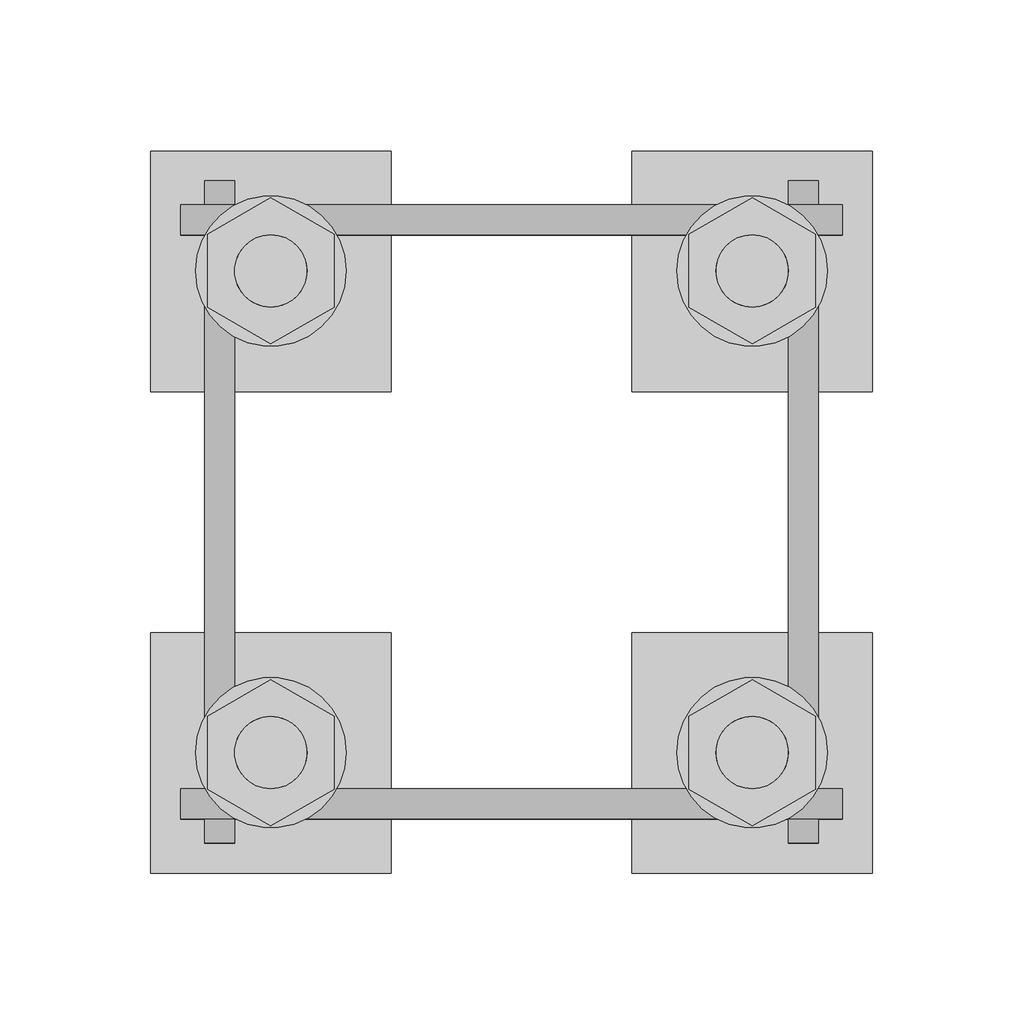
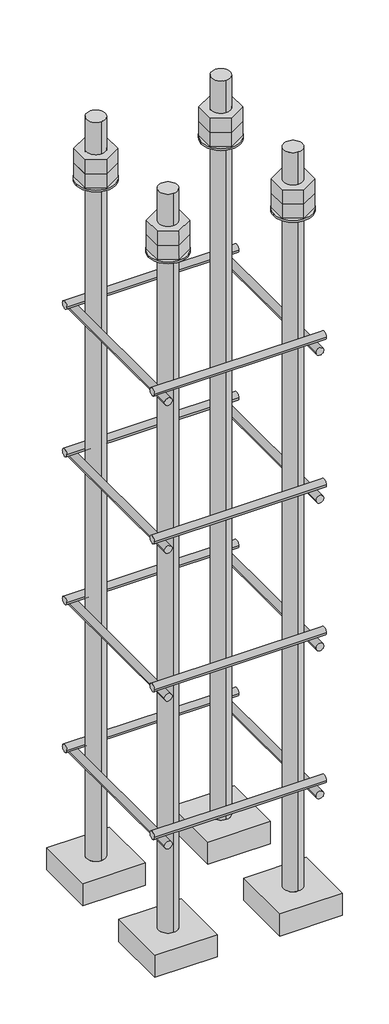
# One storey, part 27 of 66: 1 fastener.
"""IFC4 building model written with IfcOpenShell, lengths in millimetres."""

from ifc_helpers import new_model, si_unit, point, frame, frame_2d, origin, place, context, project, spatial, polyline, circle_curve, trimmed, segment, composite_curve, outline, extrude, element, save
from ifc_brep_helpers import plane_surface, cylinder_surface, advanced_brep

model = new_model("IFC4")

# Units and contexts
model_context = context("Model", 3, world=origin())
ifc_project = project(units=[si_unit("LENGTHUNIT", "METRE", prefix="MILLI")], contexts=[model_context])

# Site, building, storey
site = spatial("IfcSite", under=ifc_project)
building = spatial("IfcBuilding", under=site)
storey = spatial("IfcBuildingStorey", under=building, Elevation=9070.0)

# Fastener
placement = place(None, origin())
element("IfcFastener", 1, ObjectType="AU1 : AU-01", at=placement, inside=storey, context=model_context, shape_type="SolidModel", body=[
    extrude(outline(composite_curve([segment(trimmed(circle_curve(frame_2d((20703.0, 8795.0)), 5.0), [point((20698.0, 8795.0))], [point((20708.0, 8795.0))], False, "CARTESIAN"), True, "CONTINUOUS"), segment(trimmed(circle_curve(frame_2d((20703.0, 8795.0)), 5.0), [point((20708.0, 8795.0))], [point((20698.0, 8795.0))], False, "CARTESIAN"), True, "CONTINUOUS")], self_intersect=False)), frame((38740.0, 0.0, 0.0), z_axis=(1.0, 0.0, 0.0), x_axis=(0.0, 1.0, 0.0)), (0.0, 0.0, 1.0), 220.0),
    extrude(outline(composite_curve([segment(trimmed(circle_curve(frame_2d((20897.0, 8795.0)), 5.0), [point((20902.0, 8795.0))], [point((20892.0, 8795.0))], False, "CARTESIAN"), True, "CONTINUOUS"), segment(trimmed(circle_curve(frame_2d((20897.0, 8795.0)), 5.0), [point((20892.0, 8795.0))], [point((20902.0, 8795.0))], False, "CARTESIAN"), True, "CONTINUOUS")], self_intersect=False)), frame((38740.0, 0.0, 0.0), z_axis=(1.0, 0.0, 0.0), x_axis=(0.0, 1.0, 0.0)), (0.0, 0.0, 1.0), 220.0),
    extrude(outline(composite_curve([segment(trimmed(circle_curve(frame_2d((8785.0, 38753.0)), 5.0), [point((8785.0, 38748.0))], [point((8785.0, 38758.0))], False, "CARTESIAN"), True, "CONTINUOUS"), segment(trimmed(circle_curve(frame_2d((8785.0, 38753.0)), 5.0), [point((8785.0, 38758.0))], [point((8785.0, 38748.0))], False, "CARTESIAN"), True, "CONTINUOUS")], self_intersect=False)), frame((0.0, 20690.0, 0.0), z_axis=(0.0, 1.0, 0.0), x_axis=(0.0, 0.0, 1.0)), (0.0, 0.0, 1.0), 220.0),
    extrude(outline(composite_curve([segment(trimmed(circle_curve(frame_2d((8785.0, 38947.0)), 5.0), [point((8785.0, 38952.0))], [point((8785.0, 38942.0))], False, "CARTESIAN"), True, "CONTINUOUS"), segment(trimmed(circle_curve(frame_2d((8785.0, 38947.0)), 5.0), [point((8785.0, 38942.0))], [point((8785.0, 38952.0))], False, "CARTESIAN"), True, "CONTINUOUS")], self_intersect=False)), frame((0.0, 20690.0, 0.0), z_axis=(0.0, 1.0, 0.0), x_axis=(0.0, 0.0, 1.0)), (0.0, 0.0, 1.0), 220.0),
    extrude(outline(composite_curve([segment(trimmed(circle_curve(frame_2d((20703.0, 8995.0)), 5.0), [point((20698.0, 8995.0))], [point((20708.0, 8995.0))], False, "CARTESIAN"), True, "CONTINUOUS"), segment(trimmed(circle_curve(frame_2d((20703.0, 8995.0)), 5.0), [point((20708.0, 8995.0))], [point((20698.0, 8995.0))], False, "CARTESIAN"), True, "CONTINUOUS")], self_intersect=False)), frame((38740.0, 0.0, 0.0), z_axis=(1.0, 0.0, 0.0), x_axis=(0.0, 1.0, 0.0)), (0.0, 0.0, 1.0), 220.0),
    extrude(outline(composite_curve([segment(trimmed(circle_curve(frame_2d((20897.0, 8995.0)), 5.0), [point((20902.0, 8995.0))], [point((20892.0, 8995.0))], False, "CARTESIAN"), True, "CONTINUOUS"), segment(trimmed(circle_curve(frame_2d((20897.0, 8995.0)), 5.0), [point((20892.0, 8995.0))], [point((20902.0, 8995.0))], False, "CARTESIAN"), True, "CONTINUOUS")], self_intersect=False)), frame((38740.0, 0.0, 0.0), z_axis=(1.0, 0.0, 0.0), x_axis=(0.0, 1.0, 0.0)), (0.0, 0.0, 1.0), 220.0),
    extrude(outline(composite_curve([segment(trimmed(circle_curve(frame_2d((8985.0, 38753.0)), 5.0), [point((8985.0, 38748.0))], [point((8985.0, 38758.0))], False, "CARTESIAN"), True, "CONTINUOUS"), segment(trimmed(circle_curve(frame_2d((8985.0, 38753.0)), 5.0), [point((8985.0, 38758.0))], [point((8985.0, 38748.0))], False, "CARTESIAN"), True, "CONTINUOUS")], self_intersect=False)), frame((0.0, 20690.0, 0.0), z_axis=(0.0, 1.0, 0.0), x_axis=(0.0, 0.0, 1.0)), (0.0, 0.0, 1.0), 220.0),
    extrude(outline(composite_curve([segment(trimmed(circle_curve(frame_2d((8985.0, 38947.0)), 5.0), [point((8985.0, 38952.0))], [point((8985.0, 38942.0))], False, "CARTESIAN"), True, "CONTINUOUS"), segment(trimmed(circle_curve(frame_2d((8985.0, 38947.0)), 5.0), [point((8985.0, 38942.0))], [point((8985.0, 38952.0))], False, "CARTESIAN"), True, "CONTINUOUS")], self_intersect=False)), frame((0.0, 20690.0, 0.0), z_axis=(0.0, 1.0, 0.0), x_axis=(0.0, 0.0, 1.0)), (0.0, 0.0, 1.0), 220.0),
    extrude(outline(composite_curve([segment(trimmed(circle_curve(frame_2d((20703.0, 9195.0)), 5.0), [point((20698.0, 9195.0))], [point((20708.0, 9195.0))], False, "CARTESIAN"), True, "CONTINUOUS"), segment(trimmed(circle_curve(frame_2d((20703.0, 9195.0)), 5.0), [point((20708.0, 9195.0))], [point((20698.0, 9195.0))], False, "CARTESIAN"), True, "CONTINUOUS")], self_intersect=False)), frame((38740.0, 0.0, 0.0), z_axis=(1.0, 0.0, 0.0), x_axis=(0.0, 1.0, 0.0)), (0.0, 0.0, 1.0), 220.0),
    extrude(outline(composite_curve([segment(trimmed(circle_curve(frame_2d((20897.0, 9195.0)), 5.0), [point((20902.0, 9195.0))], [point((20892.0, 9195.0))], False, "CARTESIAN"), True, "CONTINUOUS"), segment(trimmed(circle_curve(frame_2d((20897.0, 9195.0)), 5.0), [point((20892.0, 9195.0))], [point((20902.0, 9195.0))], False, "CARTESIAN"), True, "CONTINUOUS")], self_intersect=False)), frame((38740.0, 0.0, 0.0), z_axis=(1.0, 0.0, 0.0), x_axis=(0.0, 1.0, 0.0)), (0.0, 0.0, 1.0), 220.0),
    extrude(outline(composite_curve([segment(trimmed(circle_curve(frame_2d((9185.0, 38753.0)), 5.0), [point((9185.0, 38748.0))], [point((9185.0, 38758.0))], False, "CARTESIAN"), True, "CONTINUOUS"), segment(trimmed(circle_curve(frame_2d((9185.0, 38753.0)), 5.0), [point((9185.0, 38758.0))], [point((9185.0, 38748.0))], False, "CARTESIAN"), True, "CONTINUOUS")], self_intersect=False)), frame((0.0, 20690.0, 0.0), z_axis=(0.0, 1.0, 0.0), x_axis=(0.0, 0.0, 1.0)), (0.0, 0.0, 1.0), 220.0),
    extrude(outline(composite_curve([segment(trimmed(circle_curve(frame_2d((9185.0, 38947.0)), 5.0), [point((9185.0, 38952.0))], [point((9185.0, 38942.0))], False, "CARTESIAN"), True, "CONTINUOUS"), segment(trimmed(circle_curve(frame_2d((9185.0, 38947.0)), 5.0), [point((9185.0, 38942.0))], [point((9185.0, 38952.0))], False, "CARTESIAN"), True, "CONTINUOUS")], self_intersect=False)), frame((0.0, 20690.0, 0.0), z_axis=(0.0, 1.0, 0.0), x_axis=(0.0, 0.0, 1.0)), (0.0, 0.0, 1.0), 220.0),
    extrude(outline(composite_curve([segment(trimmed(circle_curve(frame_2d((20703.0, 9395.0)), 5.0), [point((20698.0, 9395.0))], [point((20708.0, 9395.0))], False, "CARTESIAN"), True, "CONTINUOUS"), segment(trimmed(circle_curve(frame_2d((20703.0, 9395.0)), 5.0), [point((20708.0, 9395.0))], [point((20698.0, 9395.0))], False, "CARTESIAN"), True, "CONTINUOUS")], self_intersect=False)), frame((38740.0, 0.0, 0.0), z_axis=(1.0, 0.0, 0.0), x_axis=(0.0, 1.0, 0.0)), (0.0, 0.0, 1.0), 220.0),
    extrude(outline(composite_curve([segment(trimmed(circle_curve(frame_2d((20897.0, 9395.0)), 5.0), [point((20902.0, 9395.0))], [point((20892.0, 9395.0))], False, "CARTESIAN"), True, "CONTINUOUS"), segment(trimmed(circle_curve(frame_2d((20897.0, 9395.0)), 5.0), [point((20892.0, 9395.0))], [point((20902.0, 9395.0))], False, "CARTESIAN"), True, "CONTINUOUS")], self_intersect=False)), frame((38740.0, 0.0, 0.0), z_axis=(1.0, 0.0, 0.0), x_axis=(0.0, 1.0, 0.0)), (0.0, 0.0, 1.0), 220.0),
    extrude(outline(composite_curve([segment(trimmed(circle_curve(frame_2d((9385.0, 38753.0)), 5.0), [point((9385.0, 38748.0))], [point((9385.0, 38758.0))], False, "CARTESIAN"), True, "CONTINUOUS"), segment(trimmed(circle_curve(frame_2d((9385.0, 38753.0)), 5.0), [point((9385.0, 38758.0))], [point((9385.0, 38748.0))], False, "CARTESIAN"), True, "CONTINUOUS")], self_intersect=False)), frame((0.0, 20690.0, 0.0), z_axis=(0.0, 1.0, 0.0), x_axis=(0.0, 0.0, 1.0)), (0.0, 0.0, 1.0), 220.0),
    extrude(outline(composite_curve([segment(trimmed(circle_curve(frame_2d((9385.0, 38947.0)), 5.0), [point((9385.0, 38952.0))], [point((9385.0, 38942.0))], False, "CARTESIAN"), True, "CONTINUOUS"), segment(trimmed(circle_curve(frame_2d((9385.0, 38947.0)), 5.0), [point((9385.0, 38942.0))], [point((9385.0, 38952.0))], False, "CARTESIAN"), True, "CONTINUOUS")], self_intersect=False)), frame((0.0, 20690.0, 0.0), z_axis=(0.0, 1.0, 0.0), x_axis=(0.0, 0.0, 1.0)), (0.0, 0.0, 1.0), 220.0),
    advanced_brep(
    [(38810.0, 20920.0, 8650.0), (38730.0, 20920.0, 8650.0), (38730.0, 20840.0, 8650.0), (38810.0, 20840.0, 8650.0), (38770.0, 20868.0, 8650.0), (38770.0, 20892.0, 8650.0), (38810.0, 20920.0, 8620.0), (38810.0, 20840.0, 8620.0), (38730.0, 20840.0, 8620.0), (38730.0, 20920.0, 8620.0), (38770.0, 20892.0, 9650.0), (38770.0, 20868.0, 9650.0)],
    [
        (0, 1),
        (1, 2),
        (2, 3),
        (3, 0),
        (4, 5, circle_curve(frame((38770.0, 20880.0, 8650.0), z_axis=(0.0, 0.0, -1.0), x_axis=(0.0, -1.0, 0.0)), 12.0)),
        (5, 4, circle_curve(frame((38770.0, 20880.0, 8650.0), z_axis=(0.0, 0.0, -1.0), x_axis=(0.0, -1.0, 0.0)), 12.0)),
        (6, 7),
        (7, 8),
        (8, 9),
        (9, 6),
        (0, 6),
        (9, 1),
        (8, 2),
        (7, 3),
        (10, 11, circle_curve(frame((38770.0, 20880.0, 9650.0), z_axis=(0.0, 0.0, 1.0), x_axis=(0.0, -1.0, 0.0)), 12.0)),
        (11, 10, circle_curve(frame((38770.0, 20880.0, 9650.0), z_axis=(0.0, 0.0, 1.0), x_axis=(0.0, -1.0, 0.0)), 12.0)),
        (10, 5),
        (4, 11),
    ],
    [
        plane_surface(frame((38730.0, 20920.0, 8650.0), z_axis=(0.0, 0.0, 1.0), x_axis=(-1.0, 0.0, 0.0))),
        plane_surface(frame((38730.0, 20920.0, 8620.0), z_axis=(0.0, 0.0, -1.0), x_axis=(1.0, 0.0, 0.0))),
        plane_surface(frame((38810.0, 20920.0, 8650.0), z_axis=(0.0, 1.0, 0.0), x_axis=(0.0, 0.0, -1.0))),
        plane_surface(frame((38730.0, 20920.0, 8650.0), z_axis=(-1.0, 0.0, 0.0), x_axis=(0.0, 0.0, -1.0))),
        plane_surface(frame((38730.0, 20840.0, 8650.0), z_axis=(0.0, -1.0, 0.0), x_axis=(0.0, 0.0, -1.0))),
        plane_surface(frame((38810.0, 20840.0, 8650.0), z_axis=(1.0, 0.0, 0.0), x_axis=(0.0, 0.0, -1.0))),
        plane_surface(frame((38770.0, 20880.0, 9650.0), z_axis=(0.0, 0.0, 1.0), x_axis=(0.0, -1.0, 0.0))),
        cylinder_surface(frame((38770.0, 20880.0, 9650.0), z_axis=(0.0, 0.0, 1.0), x_axis=(0.0, -1.0, 0.0)), 12.0),
    ],
    [
        (0, [[1, 2, 3, 4], [5, 6]]),
        (1, [[7, 8, 9, 10]]),
        (2, [[-1, 11, -10, 12]]),
        (3, [[-2, -12, -9, 13]]),
        (4, [[-3, -13, -8, 14]]),
        (5, [[-4, -14, -7, -11]]),
        (6, [[15, 16]]),
        (7, [[-15, 17, -5, 18]]),
        (7, [[-16, -18, -6, -17]]),
    ],
),
    extrude(outline(composite_curve([segment(trimmed(circle_curve(frame_2d((38770.0, 20880.0)), 25.0), [point((38795.0, 20880.0))], [point((38745.0, 20880.0))], False, "CARTESIAN"), True, "CONTINUOUS"), segment(trimmed(circle_curve(frame_2d((38770.0, 20880.0)), 25.0), [point((38745.0, 20880.0))], [point((38795.0, 20880.0))], False, "CARTESIAN"), True, "CONTINUOUS")], self_intersect=False), holes=[composite_curve([segment(trimmed(circle_curve(frame_2d((38770.0, 20880.0)), 12.0), [point((38782.0, 20880.0))], [point((38758.0, 20880.0))], True, "CARTESIAN"), True, "CONTINUOUS"), segment(trimmed(circle_curve(frame_2d((38770.0, 20880.0)), 12.0), [point((38758.0, 20880.0))], [point((38782.0, 20880.0))], True, "CARTESIAN"), True, "CONTINUOUS")], self_intersect=False)]), frame((0.0, 0.0, 9565.0), z_axis=(0.0, 0.0, 1.0), x_axis=(1.0, 0.0, 0.0)), (0.0, 0.0, 1.0), 2.5),
    extrude(outline(polyline([(38770.0, 20904.2487113), (38791.0, 20892.1243557), (38791.0, 20867.8756443), (38770.0, 20855.7512887), (38749.0, 20867.8756443), (38749.0, 20892.1243557), (38770.0, 20904.2487113)]), holes=[composite_curve([segment(trimmed(circle_curve(frame_2d((38770.0, 20880.0)), 12.0), [point((38782.0, 20880.0))], [point((38758.0, 20880.0))], True, "CARTESIAN"), True, "CONTINUOUS"), segment(trimmed(circle_curve(frame_2d((38770.0, 20880.0)), 12.0), [point((38758.0, 20880.0))], [point((38782.0, 20880.0))], True, "CARTESIAN"), True, "CONTINUOUS")], self_intersect=False)]), frame((0.0, 0.0, 9587.0), z_axis=(0.0, 0.0, 1.0), x_axis=(1.0, 0.0, 0.0)), (0.0, 0.0, 1.0), 19.5),
    extrude(outline(polyline([(38770.0, 20904.2487113), (38791.0, 20892.1243557), (38791.0, 20867.8756443), (38770.0, 20855.7512887), (38749.0, 20867.8756443), (38749.0, 20892.1243557), (38770.0, 20904.2487113)]), holes=[composite_curve([segment(trimmed(circle_curve(frame_2d((38770.0, 20880.0)), 12.0), [point((38782.0, 20880.0))], [point((38758.0, 20880.0))], True, "CARTESIAN"), True, "CONTINUOUS"), segment(trimmed(circle_curve(frame_2d((38770.0, 20880.0)), 12.0), [point((38758.0, 20880.0))], [point((38782.0, 20880.0))], True, "CARTESIAN"), True, "CONTINUOUS")], self_intersect=False)]), frame((0.0, 0.0, 9567.5), z_axis=(0.0, 0.0, 1.0), x_axis=(1.0, 0.0, 0.0)), (0.0, 0.0, 1.0), 19.5),
    advanced_brep(
    [(38890.0, 20840.0, 8650.0), (38970.0, 20840.0, 8650.0), (38970.0, 20920.0, 8650.0), (38890.0, 20920.0, 8650.0), (38930.0, 20892.0, 8650.0), (38930.0, 20868.0, 8650.0), (38890.0, 20840.0, 8620.0), (38890.0, 20920.0, 8620.0), (38970.0, 20920.0, 8620.0), (38970.0, 20840.0, 8620.0), (38930.0, 20868.0, 9650.0), (38930.0, 20892.0, 9650.0)],
    [
        (0, 1),
        (1, 2),
        (2, 3),
        (3, 0),
        (4, 5, circle_curve(frame((38930.0, 20880.0, 8650.0), z_axis=(0.0, 0.0, -1.0), x_axis=(0.0, 1.0, 0.0)), 12.0)),
        (5, 4, circle_curve(frame((38930.0, 20880.0, 8650.0), z_axis=(0.0, 0.0, -1.0), x_axis=(0.0, 1.0, 0.0)), 12.0)),
        (6, 7),
        (7, 8),
        (8, 9),
        (9, 6),
        (0, 6),
        (9, 1),
        (8, 2),
        (7, 3),
        (10, 11, circle_curve(frame((38930.0, 20880.0, 9650.0), z_axis=(0.0, 0.0, 1.0), x_axis=(0.0, 1.0, 0.0)), 12.0)),
        (11, 10, circle_curve(frame((38930.0, 20880.0, 9650.0), z_axis=(0.0, 0.0, 1.0), x_axis=(0.0, 1.0, 0.0)), 12.0)),
        (10, 5),
        (4, 11),
    ],
    [
        plane_surface(frame((38970.0, 20840.0, 8650.0), z_axis=(0.0, 0.0, 1.0), x_axis=(1.0, 0.0, 0.0))),
        plane_surface(frame((38970.0, 20840.0, 8620.0), z_axis=(0.0, 0.0, -1.0), x_axis=(-1.0, 0.0, 0.0))),
        plane_surface(frame((38890.0, 20840.0, 8650.0), z_axis=(0.0, -1.0, 0.0), x_axis=(0.0, 0.0, -1.0))),
        plane_surface(frame((38970.0, 20840.0, 8650.0), z_axis=(1.0, 0.0, 0.0), x_axis=(0.0, 0.0, -1.0))),
        plane_surface(frame((38970.0, 20920.0, 8650.0), z_axis=(0.0, 1.0, 0.0), x_axis=(0.0, 0.0, -1.0))),
        plane_surface(frame((38890.0, 20920.0, 8650.0), z_axis=(-1.0, 0.0, 0.0), x_axis=(0.0, 0.0, -1.0))),
        plane_surface(frame((38930.0, 20880.0, 9650.0), z_axis=(0.0, 0.0, 1.0), x_axis=(0.0, 1.0, 0.0))),
        cylinder_surface(frame((38930.0, 20880.0, 9650.0), z_axis=(0.0, 0.0, 1.0), x_axis=(0.0, 1.0, 0.0)), 12.0),
    ],
    [
        (0, [[1, 2, 3, 4], [5, 6]]),
        (1, [[7, 8, 9, 10]]),
        (2, [[-1, 11, -10, 12]]),
        (3, [[-2, -12, -9, 13]]),
        (4, [[-3, -13, -8, 14]]),
        (5, [[-4, -14, -7, -11]]),
        (6, [[15, 16]]),
        (7, [[-15, 17, -5, 18]]),
        (7, [[-16, -18, -6, -17]]),
    ],
),
    extrude(outline(composite_curve([segment(trimmed(circle_curve(frame_2d((38930.0, 20880.0)), 25.0), [point((38905.0, 20880.0))], [point((38955.0, 20880.0))], False, "CARTESIAN"), True, "CONTINUOUS"), segment(trimmed(circle_curve(frame_2d((38930.0, 20880.0)), 25.0), [point((38955.0, 20880.0))], [point((38905.0, 20880.0))], False, "CARTESIAN"), True, "CONTINUOUS")], self_intersect=False), holes=[composite_curve([segment(trimmed(circle_curve(frame_2d((38930.0, 20880.0)), 12.0), [point((38918.0, 20880.0))], [point((38942.0, 20880.0))], True, "CARTESIAN"), True, "CONTINUOUS"), segment(trimmed(circle_curve(frame_2d((38930.0, 20880.0)), 12.0), [point((38942.0, 20880.0))], [point((38918.0, 20880.0))], True, "CARTESIAN"), True, "CONTINUOUS")], self_intersect=False)]), frame((0.0, 0.0, 9565.0), z_axis=(0.0, 0.0, 1.0), x_axis=(1.0, 0.0, 0.0)), (0.0, 0.0, 1.0), 2.5),
    extrude(outline(polyline([(38930.0, 20855.7512887), (38909.0, 20867.8756443), (38909.0, 20892.1243557), (38930.0, 20904.2487113), (38951.0, 20892.1243557), (38951.0, 20867.8756443), (38930.0, 20855.7512887)]), holes=[composite_curve([segment(trimmed(circle_curve(frame_2d((38930.0, 20880.0)), 12.0), [point((38918.0, 20880.0))], [point((38942.0, 20880.0))], True, "CARTESIAN"), True, "CONTINUOUS"), segment(trimmed(circle_curve(frame_2d((38930.0, 20880.0)), 12.0), [point((38942.0, 20880.0))], [point((38918.0, 20880.0))], True, "CARTESIAN"), True, "CONTINUOUS")], self_intersect=False)]), frame((0.0, 0.0, 9587.0), z_axis=(0.0, 0.0, 1.0), x_axis=(1.0, 0.0, 0.0)), (0.0, 0.0, 1.0), 19.5),
    extrude(outline(polyline([(38930.0, 20855.7512887), (38909.0, 20867.8756443), (38909.0, 20892.1243557), (38930.0, 20904.2487113), (38951.0, 20892.1243557), (38951.0, 20867.8756443), (38930.0, 20855.7512887)]), holes=[composite_curve([segment(trimmed(circle_curve(frame_2d((38930.0, 20880.0)), 12.0), [point((38918.0, 20880.0))], [point((38942.0, 20880.0))], True, "CARTESIAN"), True, "CONTINUOUS"), segment(trimmed(circle_curve(frame_2d((38930.0, 20880.0)), 12.0), [point((38942.0, 20880.0))], [point((38918.0, 20880.0))], True, "CARTESIAN"), True, "CONTINUOUS")], self_intersect=False)]), frame((0.0, 0.0, 9567.5), z_axis=(0.0, 0.0, 1.0), x_axis=(1.0, 0.0, 0.0)), (0.0, 0.0, 1.0), 19.5),
    advanced_brep(
    [(38890.0, 20680.0, 8650.0), (38970.0, 20680.0, 8650.0), (38970.0, 20760.0, 8650.0), (38890.0, 20760.0, 8650.0), (38930.0, 20732.0, 8650.0), (38930.0, 20708.0, 8650.0), (38890.0, 20680.0, 8620.0), (38890.0, 20760.0, 8620.0), (38970.0, 20760.0, 8620.0), (38970.0, 20680.0, 8620.0), (38930.0, 20708.0, 9650.0), (38930.0, 20732.0, 9650.0)],
    [
        (0, 1),
        (1, 2),
        (2, 3),
        (3, 0),
        (4, 5, circle_curve(frame((38930.0, 20720.0, 8650.0), z_axis=(0.0, 0.0, -1.0), x_axis=(0.0, 1.0, 0.0)), 12.0)),
        (5, 4, circle_curve(frame((38930.0, 20720.0, 8650.0), z_axis=(0.0, 0.0, -1.0), x_axis=(0.0, 1.0, 0.0)), 12.0)),
        (6, 7),
        (7, 8),
        (8, 9),
        (9, 6),
        (0, 6),
        (9, 1),
        (8, 2),
        (7, 3),
        (10, 11, circle_curve(frame((38930.0, 20720.0, 9650.0), z_axis=(0.0, 0.0, 1.0), x_axis=(0.0, 1.0, 0.0)), 12.0)),
        (11, 10, circle_curve(frame((38930.0, 20720.0, 9650.0), z_axis=(0.0, 0.0, 1.0), x_axis=(0.0, 1.0, 0.0)), 12.0)),
        (10, 5),
        (4, 11),
    ],
    [
        plane_surface(frame((38970.0, 20680.0, 8650.0), z_axis=(0.0, 0.0, 1.0), x_axis=(1.0, 0.0, 0.0))),
        plane_surface(frame((38970.0, 20680.0, 8620.0), z_axis=(0.0, 0.0, -1.0), x_axis=(-1.0, 0.0, 0.0))),
        plane_surface(frame((38890.0, 20680.0, 8650.0), z_axis=(0.0, -1.0, 0.0), x_axis=(0.0, 0.0, -1.0))),
        plane_surface(frame((38970.0, 20680.0, 8650.0), z_axis=(1.0, 0.0, 0.0), x_axis=(0.0, 0.0, -1.0))),
        plane_surface(frame((38970.0, 20760.0, 8650.0), z_axis=(0.0, 1.0, 0.0), x_axis=(0.0, 0.0, -1.0))),
        plane_surface(frame((38890.0, 20760.0, 8650.0), z_axis=(-1.0, 0.0, 0.0), x_axis=(0.0, 0.0, -1.0))),
        plane_surface(frame((38930.0, 20720.0, 9650.0), z_axis=(0.0, 0.0, 1.0), x_axis=(0.0, 1.0, 0.0))),
        cylinder_surface(frame((38930.0, 20720.0, 9650.0), z_axis=(0.0, 0.0, 1.0), x_axis=(0.0, 1.0, 0.0)), 12.0),
    ],
    [
        (0, [[1, 2, 3, 4], [5, 6]]),
        (1, [[7, 8, 9, 10]]),
        (2, [[-1, 11, -10, 12]]),
        (3, [[-2, -12, -9, 13]]),
        (4, [[-3, -13, -8, 14]]),
        (5, [[-4, -14, -7, -11]]),
        (6, [[15, 16]]),
        (7, [[-15, 17, -5, 18]]),
        (7, [[-16, -18, -6, -17]]),
    ],
),
    extrude(outline(composite_curve([segment(trimmed(circle_curve(frame_2d((38930.0, 20720.0)), 25.0), [point((38905.0, 20720.0))], [point((38955.0, 20720.0))], False, "CARTESIAN"), True, "CONTINUOUS"), segment(trimmed(circle_curve(frame_2d((38930.0, 20720.0)), 25.0), [point((38955.0, 20720.0))], [point((38905.0, 20720.0))], False, "CARTESIAN"), True, "CONTINUOUS")], self_intersect=False), holes=[composite_curve([segment(trimmed(circle_curve(frame_2d((38930.0, 20720.0)), 12.0), [point((38918.0, 20720.0))], [point((38942.0, 20720.0))], True, "CARTESIAN"), True, "CONTINUOUS"), segment(trimmed(circle_curve(frame_2d((38930.0, 20720.0)), 12.0), [point((38942.0, 20720.0))], [point((38918.0, 20720.0))], True, "CARTESIAN"), True, "CONTINUOUS")], self_intersect=False)]), frame((0.0, 0.0, 9565.0), z_axis=(0.0, 0.0, 1.0), x_axis=(1.0, 0.0, 0.0)), (0.0, 0.0, 1.0), 2.5),
    extrude(outline(polyline([(38930.0, 20695.7512887), (38909.0, 20707.8756443), (38909.0, 20732.1243557), (38930.0, 20744.2487113), (38951.0, 20732.1243557), (38951.0, 20707.8756443), (38930.0, 20695.7512887)]), holes=[composite_curve([segment(trimmed(circle_curve(frame_2d((38930.0, 20720.0)), 12.0), [point((38918.0, 20720.0))], [point((38942.0, 20720.0))], True, "CARTESIAN"), True, "CONTINUOUS"), segment(trimmed(circle_curve(frame_2d((38930.0, 20720.0)), 12.0), [point((38942.0, 20720.0))], [point((38918.0, 20720.0))], True, "CARTESIAN"), True, "CONTINUOUS")], self_intersect=False)]), frame((0.0, 0.0, 9587.0), z_axis=(0.0, 0.0, 1.0), x_axis=(1.0, 0.0, 0.0)), (0.0, 0.0, 1.0), 19.5),
    extrude(outline(polyline([(38930.0, 20695.7512887), (38909.0, 20707.8756443), (38909.0, 20732.1243557), (38930.0, 20744.2487113), (38951.0, 20732.1243557), (38951.0, 20707.8756443), (38930.0, 20695.7512887)]), holes=[composite_curve([segment(trimmed(circle_curve(frame_2d((38930.0, 20720.0)), 12.0), [point((38918.0, 20720.0))], [point((38942.0, 20720.0))], True, "CARTESIAN"), True, "CONTINUOUS"), segment(trimmed(circle_curve(frame_2d((38930.0, 20720.0)), 12.0), [point((38942.0, 20720.0))], [point((38918.0, 20720.0))], True, "CARTESIAN"), True, "CONTINUOUS")], self_intersect=False)]), frame((0.0, 0.0, 9567.5), z_axis=(0.0, 0.0, 1.0), x_axis=(1.0, 0.0, 0.0)), (0.0, 0.0, 1.0), 19.5),
    advanced_brep(
    [(38810.0, 20760.0, 8650.0), (38730.0, 20760.0, 8650.0), (38730.0, 20680.0, 8650.0), (38810.0, 20680.0, 8650.0), (38770.0, 20708.0, 8650.0), (38770.0, 20732.0, 8650.0), (38810.0, 20760.0, 8620.0), (38810.0, 20680.0, 8620.0), (38730.0, 20680.0, 8620.0), (38730.0, 20760.0, 8620.0), (38770.0, 20732.0, 9650.0), (38770.0, 20708.0, 9650.0)],
    [
        (0, 1),
        (1, 2),
        (2, 3),
        (3, 0),
        (4, 5, circle_curve(frame((38770.0, 20720.0, 8650.0), z_axis=(0.0, 0.0, -1.0), x_axis=(0.0, -1.0, 0.0)), 12.0)),
        (5, 4, circle_curve(frame((38770.0, 20720.0, 8650.0), z_axis=(0.0, 0.0, -1.0), x_axis=(0.0, -1.0, 0.0)), 12.0)),
        (6, 7),
        (7, 8),
        (8, 9),
        (9, 6),
        (0, 6),
        (9, 1),
        (8, 2),
        (7, 3),
        (10, 11, circle_curve(frame((38770.0, 20720.0, 9650.0), z_axis=(0.0, 0.0, 1.0), x_axis=(0.0, -1.0, 0.0)), 12.0)),
        (11, 10, circle_curve(frame((38770.0, 20720.0, 9650.0), z_axis=(0.0, 0.0, 1.0), x_axis=(0.0, -1.0, 0.0)), 12.0)),
        (10, 5),
        (4, 11),
    ],
    [
        plane_surface(frame((38730.0, 20760.0, 8650.0), z_axis=(0.0, 0.0, 1.0), x_axis=(-1.0, 0.0, 0.0))),
        plane_surface(frame((38730.0, 20760.0, 8620.0), z_axis=(0.0, 0.0, -1.0), x_axis=(1.0, 0.0, 0.0))),
        plane_surface(frame((38810.0, 20760.0, 8650.0), z_axis=(0.0, 1.0, 0.0), x_axis=(0.0, 0.0, -1.0))),
        plane_surface(frame((38730.0, 20760.0, 8650.0), z_axis=(-1.0, 0.0, 0.0), x_axis=(0.0, 0.0, -1.0))),
        plane_surface(frame((38730.0, 20680.0, 8650.0), z_axis=(0.0, -1.0, 0.0), x_axis=(0.0, 0.0, -1.0))),
        plane_surface(frame((38810.0, 20680.0, 8650.0), z_axis=(1.0, 0.0, 0.0), x_axis=(0.0, 0.0, -1.0))),
        plane_surface(frame((38770.0, 20720.0, 9650.0), z_axis=(0.0, 0.0, 1.0), x_axis=(0.0, -1.0, 0.0))),
        cylinder_surface(frame((38770.0, 20720.0, 9650.0), z_axis=(0.0, 0.0, 1.0), x_axis=(0.0, -1.0, 0.0)), 12.0),
    ],
    [
        (0, [[1, 2, 3, 4], [5, 6]]),
        (1, [[7, 8, 9, 10]]),
        (2, [[-1, 11, -10, 12]]),
        (3, [[-2, -12, -9, 13]]),
        (4, [[-3, -13, -8, 14]]),
        (5, [[-4, -14, -7, -11]]),
        (6, [[15, 16]]),
        (7, [[-15, 17, -5, 18]]),
        (7, [[-16, -18, -6, -17]]),
    ],
),
    extrude(outline(composite_curve([segment(trimmed(circle_curve(frame_2d((38770.0, 20720.0)), 25.0), [point((38795.0, 20720.0))], [point((38745.0, 20720.0))], False, "CARTESIAN"), True, "CONTINUOUS"), segment(trimmed(circle_curve(frame_2d((38770.0, 20720.0)), 25.0), [point((38745.0, 20720.0))], [point((38795.0, 20720.0))], False, "CARTESIAN"), True, "CONTINUOUS")], self_intersect=False), holes=[composite_curve([segment(trimmed(circle_curve(frame_2d((38770.0, 20720.0)), 12.0), [point((38782.0, 20720.0))], [point((38758.0, 20720.0))], True, "CARTESIAN"), True, "CONTINUOUS"), segment(trimmed(circle_curve(frame_2d((38770.0, 20720.0)), 12.0), [point((38758.0, 20720.0))], [point((38782.0, 20720.0))], True, "CARTESIAN"), True, "CONTINUOUS")], self_intersect=False)]), frame((0.0, 0.0, 9565.0), z_axis=(0.0, 0.0, 1.0), x_axis=(1.0, 0.0, 0.0)), (0.0, 0.0, 1.0), 2.5),
    extrude(outline(polyline([(38770.0, 20744.2487113), (38791.0, 20732.1243557), (38791.0, 20707.8756443), (38770.0, 20695.7512887), (38749.0, 20707.8756443), (38749.0, 20732.1243557), (38770.0, 20744.2487113)]), holes=[composite_curve([segment(trimmed(circle_curve(frame_2d((38770.0, 20720.0)), 12.0), [point((38782.0, 20720.0))], [point((38758.0, 20720.0))], True, "CARTESIAN"), True, "CONTINUOUS"), segment(trimmed(circle_curve(frame_2d((38770.0, 20720.0)), 12.0), [point((38758.0, 20720.0))], [point((38782.0, 20720.0))], True, "CARTESIAN"), True, "CONTINUOUS")], self_intersect=False)]), frame((0.0, 0.0, 9587.0), z_axis=(0.0, 0.0, 1.0), x_axis=(1.0, 0.0, 0.0)), (0.0, 0.0, 1.0), 19.5),
    extrude(outline(polyline([(38770.0, 20744.2487113), (38791.0, 20732.1243557), (38791.0, 20707.8756443), (38770.0, 20695.7512887), (38749.0, 20707.8756443), (38749.0, 20732.1243557), (38770.0, 20744.2487113)]), holes=[composite_curve([segment(trimmed(circle_curve(frame_2d((38770.0, 20720.0)), 12.0), [point((38782.0, 20720.0))], [point((38758.0, 20720.0))], True, "CARTESIAN"), True, "CONTINUOUS"), segment(trimmed(circle_curve(frame_2d((38770.0, 20720.0)), 12.0), [point((38758.0, 20720.0))], [point((38782.0, 20720.0))], True, "CARTESIAN"), True, "CONTINUOUS")], self_intersect=False)]), frame((0.0, 0.0, 9567.5), z_axis=(0.0, 0.0, 1.0), x_axis=(1.0, 0.0, 0.0)), (0.0, 0.0, 1.0), 19.5),
])

save(model, "model.ifc")
